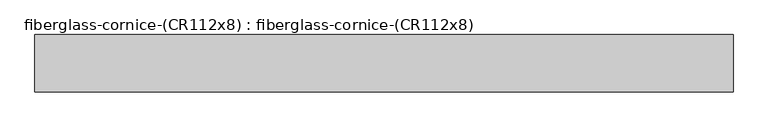
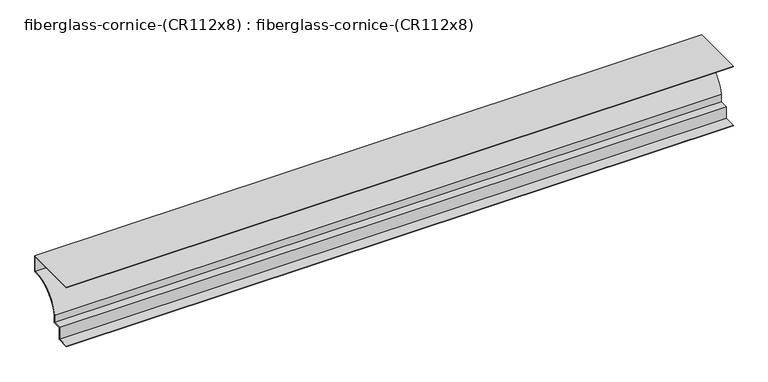
"""IFC4 building model written with IfcOpenShell, lengths in millimetres: furniture geometry, fiberglass-cornice-(CR112x8) : fiberglass-cornice-(CR112x8)."""

from ifc_helpers import new_model, si_unit, point, frame, frame_2d, origin, place, context, project, spatial, polyline, circle_curve, trimmed, segment, composite_curve, outline, extrude, source, transform, mapped, element, save


def fiberglass_cornice_cr112x8_fiberglass_cornice_cr112x8_40414b2c(model_context):
    return source(origin(), model_context, "Body", "SweptSolid", [
        extrude(outline(composite_curve([segment(polyline([(101.6, 326.0724904), (101.6, 330.1999904), (431.8, 330.1999904), (431.8, 228.5999904)]), True, "CONTINUOUS"), segment(trimmed(circle_curve(frame_2d((425.5499157, 25.2667695)), 203.4292562), [point((431.8, 228.5999904))], [point((228.6, 76.1999904))], True, "CARTESIAN"), True, "CONTINUOUS"), segment(polyline([(228.6, 76.1999904), (228.6, 25.3999904), (177.8, 25.3999904), (177.8, -50.8000096), (101.6, -50.8000096), (101.6, -46.6725096), (173.6725, -46.6725096), (173.6725, 29.5274904), (224.4725, 29.5274904), (224.4725, 76.7223809)]), True, "CONTINUOUS"), segment(trimmed(circle_curve(frame_2d((425.5499157, 25.2667695)), 207.5567562), [point((224.4725, 76.7223809))], [point((427.6725, 232.8126721))], False, "CARTESIAN"), True, "CONTINUOUS"), segment(polyline([(427.6725, 232.8126721), (427.6725, 326.0724904), (101.6, 326.0724904)]), True, "CONTINUOUS")], self_intersect=False)), frame((-2012.9498044, 0.0, 0.0), z_axis=(1.0, 0.0, 0.0), x_axis=(0.0, 1.0, 0.0)), (0.0, 0.0, 1.0), 4025.8996087),
    ])


if __name__ == "__main__":
    model = new_model("IFC4")
    model_context = context("Model", 3, world=origin())
    ifc_project = project(units=[si_unit("LENGTHUNIT", "METRE", prefix="MILLI")], contexts=[model_context])
    site = spatial("IfcSite", under=ifc_project)
    building = spatial("IfcBuilding", under=site)
    placement = place(None, origin())
    fiberglass_cornice_cr112x8_fiberglass_cornice_cr112x8_shape = fiberglass_cornice_cr112x8_fiberglass_cornice_cr112x8_40414b2c(model_context)
    element("IfcFurniture", 1, ObjectType="fiberglass-cornice-(CR112x8) : fiberglass-cornice-(CR112x8)", at=placement, inside=building, context=model_context, shape_type="MappedRepresentation", body=[
        mapped(fiberglass_cornice_cr112x8_fiberglass_cornice_cr112x8_shape, transform((0.0, 0.0, 0.0), x_axis=(1.0, 0.0, 0.0), y_axis=(0.0, 1.0, 0.0), z_axis=(0.0, 0.0, 1.0))),
    ])
    save(model, "model.ifc")
